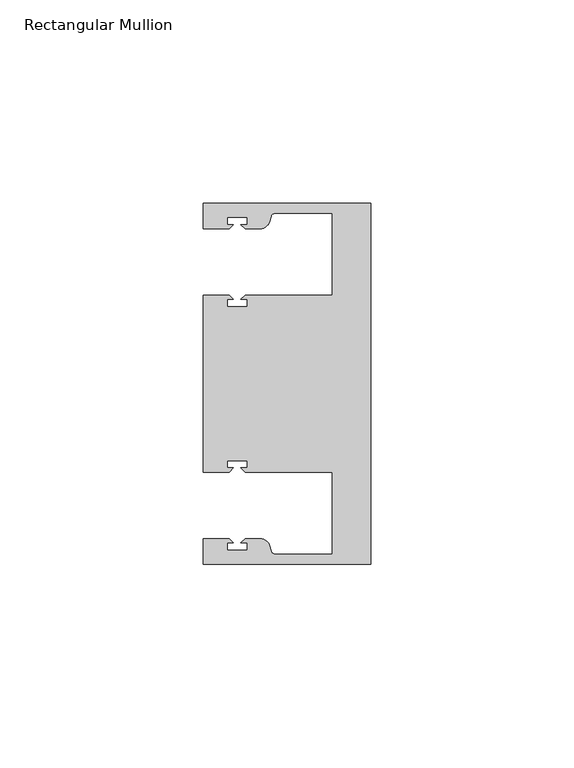
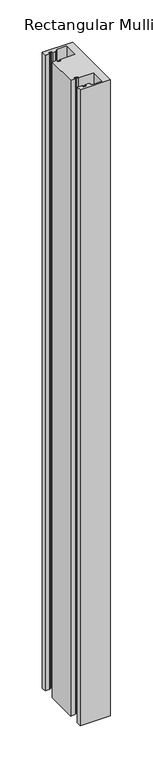
"""IFC4 building model written with IfcOpenShell, lengths in millimetres: member geometry, Rectangular Mullion."""

from ifc_helpers import new_model, si_unit, point, frame, frame_2d, origin, place, context, project, spatial, polyline, circle_curve, trimmed, segment, composite_curve, outline, extrude, source, transform, mapped, element, save


def rectangular_mullion_a4c00120(model_context):
    return source(origin(), model_context, "Body", "SweptSolid", [
        extrude(outline(composite_curve([segment(polyline([(0.0, -44.45), (-41.2749977, -44.45), (-41.2749977, -38.1499897), (-34.8007531, -38.1499897), (-33.8007405, -39.1500023), (-35.3749778, -39.1500023), (-35.3749778, -40.9498819), (-30.3749831, -40.9498819), (-30.3749831, -39.1500023), (-31.949256, -39.1500023), (-30.9492503, -38.1499966), (-27.2637853, -38.1499966)]), True, "CONTINUOUS"), segment(trimmed(circle_curve(frame_2d((-27.2637853, -40.6499966)), 2.5), [point((-27.2637853, -38.1499966))], [point((-24.8489707, -40.002949))], False, "CARTESIAN"), True, "CONTINUOUS"), segment(polyline([(-24.8489707, -40.002949), (-24.5258588, -41.2088192)]), True, "CONTINUOUS"), segment(trimmed(circle_curve(frame_2d((-23.5599329, -40.9500001)), 1.0), [point((-24.5258588, -41.2088192))], [point((-23.5599329, -41.9500001))], True, "CARTESIAN"), True, "CONTINUOUS"), segment(polyline([(-23.5599329, -41.9500001), (-9.525, -41.95), (-9.525, -21.7499959), (-30.9492434, -21.7499959), (-31.949256, -20.7499834), (-30.3750186, -20.7499834), (-30.3750186, -18.949936), (-35.3750134, -18.949936), (-35.3750134, -20.7499834), (-33.8007405, -20.7499834), (-34.8007562, -21.749999), (-41.275, -21.749999), (-41.275, 21.749999), (-34.8007562, 21.749999), (-33.8007405, 20.7499834), (-35.3750134, 20.7499834), (-35.3750134, 18.949936), (-30.3750186, 18.949936), (-30.3750186, 20.7499834), (-31.949256, 20.7499834), (-30.9492434, 21.7499959), (-9.525, 21.7499959), (-9.525, 41.95), (-23.5599329, 41.95)]), True, "CONTINUOUS"), segment(trimmed(circle_curve(frame_2d((-23.5599329, 40.9500001)), 1.0), [point((-23.5599329, 41.95))], [point((-24.5258588, 41.2088192))], True, "CARTESIAN"), True, "CONTINUOUS"), segment(polyline([(-24.5258588, 41.2088192), (-24.8489707, 40.002949)]), True, "CONTINUOUS"), segment(trimmed(circle_curve(frame_2d((-27.2637853, 40.6499966)), 2.5), [point((-24.8489707, 40.002949))], [point((-27.2637853, 38.1499966))], False, "CARTESIAN"), True, "CONTINUOUS"), segment(polyline([(-27.2637853, 38.1499966), (-30.9492503, 38.1499966), (-31.949256, 39.1500023), (-30.3749831, 39.1500023), (-30.3749831, 40.9498819), (-35.3749778, 40.9498819), (-35.3749778, 39.1500023), (-33.8007405, 39.1500023), (-34.8007531, 38.1499897), (-41.275, 38.1499897), (-41.275, 44.45), (0.0, 44.45), (0.0, -44.45)]), True, "CONTINUOUS")], self_intersect=False)), frame((0.0, 0.0, -914.4), z_axis=(0.0, 0.0, 1.0), x_axis=(1.0, 0.0, 0.0)), (0.0, 0.0, 1.0), 914.4),
    ])


if __name__ == "__main__":
    model = new_model("IFC4")
    model_context = context("Model", 3, world=origin())
    ifc_project = project(units=[si_unit("LENGTHUNIT", "METRE", prefix="MILLI")], contexts=[model_context])
    site = spatial("IfcSite", under=ifc_project)
    building = spatial("IfcBuilding", under=site)
    placement = place(None, origin())
    rectangular_mullion_shape = rectangular_mullion_a4c00120(model_context)
    element("IfcMember", 1, ObjectType="Rectangular Mullion", at=placement, inside=building, context=model_context, shape_type="MappedRepresentation", body=[
        mapped(rectangular_mullion_shape, transform((0.0, 0.0, 0.0), x_axis=(1.0, 0.0, 0.0), y_axis=(0.0, 1.0, 0.0), z_axis=(0.0, 0.0, 1.0))),
    ])
    save(model, "model.ifc")
